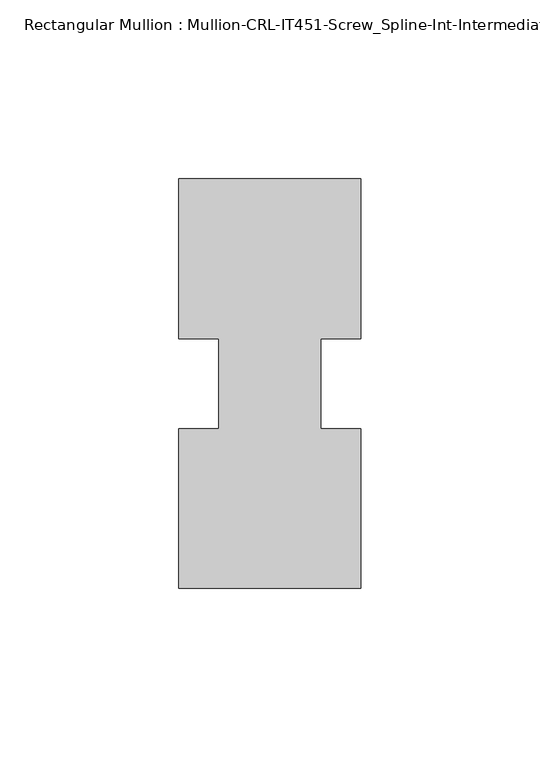
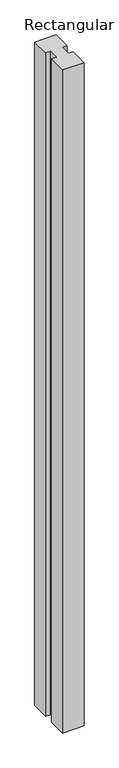
"""IFC4 building model written with IfcOpenShell, lengths in millimetres: member geometry, Rectangular Mullion : Mullion-CRL-IT451-Screw_Spline-Int-Intermediate_Horizontal."""

from ifc_helpers import new_model, si_unit, frame, origin, place, context, project, spatial, polyline, outline, extrude, source, transform, mapped, element, save


def rectangular_mullion_mullion_crl_it451_screw_spline_int_01ce04d5(model_context):
    return source(origin(), model_context, "Body", "SweptSolid", [
        extrude(outline(polyline([(25.4, -57.15), (-25.4, -57.15), (-25.4, -12.7), (-14.2875, -12.7), (-14.2875, 12.5476134), (-25.4, 12.5476134), (-25.4, 57.15), (25.4, 57.15), (25.4, 12.5476134), (14.2875, 12.5476134), (14.2875, -12.7), (25.4, -12.7), (25.4, -57.15)])), frame((0.0, 0.0, -1657.3498547), z_axis=(0.0, 0.0, 1.0), x_axis=(1.0, 0.0, 0.0)), (0.0, 0.0, 1.0), 1657.3498547),
    ])


if __name__ == "__main__":
    model = new_model("IFC4")
    model_context = context("Model", 3, world=origin())
    ifc_project = project(units=[si_unit("LENGTHUNIT", "METRE", prefix="MILLI")], contexts=[model_context])
    site = spatial("IfcSite", under=ifc_project)
    building = spatial("IfcBuilding", under=site)
    placement = place(None, origin())
    rectangular_mullion_mullion_crl_it451_screw_spline_int_shape = rectangular_mullion_mullion_crl_it451_screw_spline_int_01ce04d5(model_context)
    element("IfcMember", 1, ObjectType="Rectangular Mullion : Mullion-CRL-IT451-Screw_Spline-Int-Intermediate_Horizontal", at=placement, inside=building, context=model_context, shape_type="MappedRepresentation", body=[
        mapped(rectangular_mullion_mullion_crl_it451_screw_spline_int_shape, transform((0.0, 0.0, 0.0), x_axis=(1.0, 0.0, 0.0), y_axis=(0.0, 1.0, 0.0), z_axis=(0.0, 0.0, 1.0))),
    ])
    save(model, "model.ifc")
